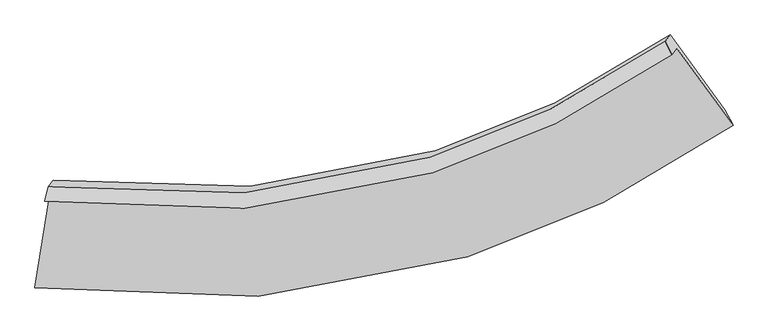
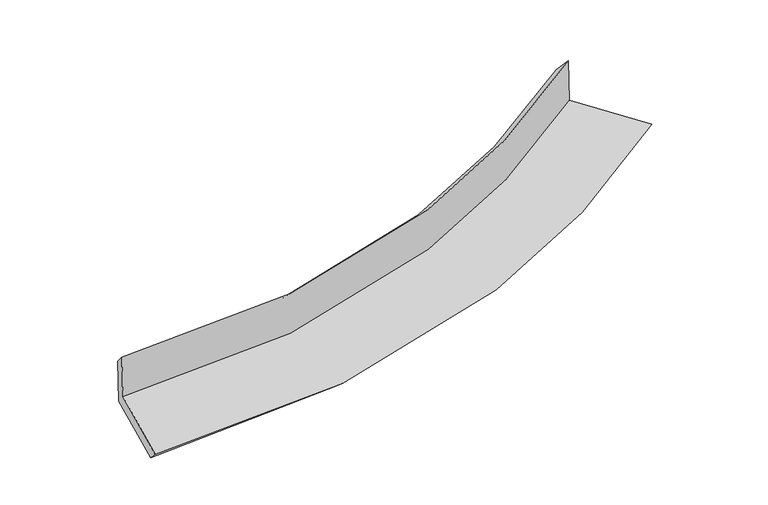
"""IFC4 building model written with IfcOpenShell, lengths in millimetres: proxy geometry."""

from ifc_helpers import new_model, si_unit, frame, origin, place, context, project, spatial, source, transform, mapped, element, save
from ifc_brep_helpers import plane_surface, spline_curve, spline_surface, advanced_brep


def generic_models_c4789eda(model_context):
    return source(origin(), model_context, "Body", "AdvancedBrep", [
        advanced_brep(
        [(-2465.156963, -1940.9548653, 2049.1564516), (-2429.6972514, -1894.9438889, 1651.3925082), (1991.8497933, -863.1528482, 2162.8632245), (1956.4604473, -909.0725211, 2559.8378511), (-2440.6679847, -1840.1932495, 1940.4949146), (1909.5933097, -815.8228758, 2441.0477501), (-2404.988035, -1793.8965018, 1540.260484), (1945.2903296, -769.5039785, 2040.6218371), (-2508.1863795, -2443.8212133, 1455.8811563), (2330.1995929, -1295.7898333, 2014.0579548), (-2534.1277305, -2552.6283638, 1566.0057352), (2388.2799872, -1405.1912541, 2135.5042441)],
        [
            (0, 1),
            (1, 2, spline_curve(3, [(-2429.6972514, -1894.9438889, 1651.3925082), (-1460.985469716, -2027.931604831, 1714.819464353), (-548.510161432, -1961.161990119, 1800.574861886), (895.612471026, -1511.640690294, 1982.867828222), (1456.986177588, -1234.479958172, 2067.602669662), (1991.8497933, -863.1528482, 2162.8632245)], [4, 2, 4], [0.0, 9.095950557043873, 15.341126245682508])),
            (2, 3),
            (3, 0, spline_curve(3, [(1956.4604473, -909.0725211, 2559.8378511), (1421.608600205, -1280.384360577, 2464.445284697), (860.237984368, -1557.541082486, 2379.675773694), (-583.898372772, -2007.080190802, 2197.536761185), (-1496.400227006, -2073.884250416, 2112.079138866), (-2465.156963, -1940.9548653, 2049.1564516)], [4, 2, 4], [0.0, 6.245175688638636, 15.341126245682508])),
            (4, 0),
            (3, 5),
            (5, 4, spline_curve(3, [(1909.5933097, -815.8228758, 2441.0477501), (1382.729469918, -1180.156003238, 2352.63510646), (830.036757107, -1452.759995736, 2272.563583017), (-591.087824127, -1897.074802477, 2096.35954549), (-1488.4822093, -1965.927601316, 2009.580123722), (-2440.6679847, -1840.1932495, 1940.4949146)], [4, 2, 4], [0.0, 6.194356984597455, 15.216291302166663])),
            (6, 4),
            (5, 7),
            (7, 6, spline_curve(3, [(1945.2903296, -769.5039785, 2040.6218371), (1418.54784986, -1133.679634358, 1950.847856188), (865.926149946, -1406.191483734, 1869.979755774), (-555.147666091, -1850.440419822, 1693.206266854), (-1452.618754253, -1919.39274488, 1607.287249263), (-2404.988035, -1793.8965018, 1540.260484)], [4, 2, 4], [0.0, 6.143582375698596, 15.091564677324131])),
            (8, 6),
            (7, 9),
            (9, 8, spline_curve(3, [(2330.1995929, -1295.7898333, 2014.0579548), (1747.672535051, -1702.416976469, 1914.400374641), (1135.012384572, -2006.928666183, 1824.478436869), (-443.994001074, -2504.110229403, 1627.502701418), (-1444.129174663, -2582.275666437, 1531.365706008), (-2508.1863795, -2443.8212133, 1455.8811563)], [4, 2, 4], [0.0, 6.491294623983567, 15.945711584322137])),
            (10, 8),
            (9, 11),
            (11, 10, spline_curve(3, [(2388.2799872, -1405.1912541, 2135.5042441), (1795.244049463, -1819.673793361, 2030.065800392), (1171.711688958, -2128.810220792, 1936.090903378), (-434.894534454, -2629.416306789, 1733.403725089), (-1452.164746559, -2702.758915826, 1637.545785561), (-2534.1277305, -2552.6283638, 1566.0057352)], [4, 2, 4], [0.0, 6.896697101026842, 16.941573172643444])),
            (1, 10),
            (11, 2),
        ],
        [
            spline_surface(3, 3, [[(-2465.156963, -1940.9548653, 2049.1564516), (-1496.400226913, -2073.884250409, 2112.079138801), (-583.898372683, -2007.0801908, 2197.536761057), (860.237984307, -1557.541082487, 2379.675773782), (1421.608600141, -1280.384360676, 2464.44528469), (1956.4604473, -909.0725211, 2559.8378511)], [(-2453.337059109, -1925.617873156, 1916.568470455), (-1484.59530782, -2058.566701885, 1979.659247353), (-572.102302237, -1991.774123897, 2065.216127977), (872.029479884, -1542.240951734, 2247.4064586), (1433.401125952, -1265.082893136, 2332.164413011), (1968.25689595, -893.765963455, 2427.51297557)], [(-2441.517155291, -1910.280881044, 1783.980489345), (-1472.790388799, -2043.249153393, 1847.239355941), (-560.306231833, -1976.468057044, 1932.895494918), (883.820975419, -1526.940821032, 2115.137143438), (1445.193651813, -1249.781425631, 2199.883541323), (1980.05334465, -878.459405845, 2295.18810003)], [(-2429.6972514, -1894.9438889, 1651.3925082), (-1460.985469706, -2027.93160487, 1714.819464492), (-548.510161388, -1961.161990141, 1800.574861838), (895.612470996, -1511.640690279, 1982.867828255), (1456.986177624, -1234.479958091, 2067.602669643), (1991.8497933, -863.1528482, 2162.8632245)]], [4, 4], [4, 2, 4], [0.0, 1.3160735513135497], [0.0, 9.095950557043873, 15.341126245682508]),
            spline_surface(3, 3, [[(-2440.6679847, -1840.1932495, 1940.4949146), (-1488.482209366, -1965.927601192, 2009.580123731), (-591.08782406, -1897.074802542, 2096.359545475), (830.036757061, -1452.759995692, 2272.563583027), (1382.729469891, -1180.156003143, 2352.635106465), (1909.5933097, -815.8228758, 2441.0477501)], [(-2448.830977468, -1873.780454761, 1976.71542694), (-1491.12154855, -2001.913150925, 2043.746462095), (-588.691340265, -1933.743265284, 2130.085284004), (840.103832812, -1487.687024613, 2308.267646613), (1395.689179991, -1213.565455675, 2389.905165889), (1925.215688917, -846.906090921, 2480.64445045)], [(-2456.993970232, -1907.367660039, 2012.93593926), (-1493.760887729, -2037.898700676, 2077.912800438), (-586.294856478, -1970.411728058, 2163.811022529), (850.170908556, -1522.614053565, 2343.971710196), (1408.648890041, -1246.974908145, 2427.175225265), (1940.838068083, -877.989305979, 2520.24115075)], [(-2465.156963, -1940.9548653, 2049.1564516), (-1496.400226913, -2073.884250409, 2112.079138801), (-583.898372683, -2007.0801908, 2197.536761057), (860.237984307, -1557.541082487, 2379.675773782), (1421.608600141, -1280.384360676, 2464.44528469), (1956.4604473, -909.0725211, 2559.8378511)]], [4, 4], [4, 2, 4], [0.0, 0.49274672733942865], [0.0, 9.021934317569208, 15.216291302166663]),
            spline_surface(3, 3, [[(-2404.988035, -1793.8965018, 1540.260484), (-1452.618754286, -1919.392744908, 1607.287249325), (-555.147665989, -1850.440419809, 1693.206266737), (865.926149877, -1406.191483743, 1869.979755854), (1418.547849781, -1133.679634409, 1950.847856163), (1945.2903296, -769.5039785, 2040.6218371)], [(-2416.88135158, -1809.328751049, 1673.671960857), (-1464.573239326, -1934.904363685, 1741.384874118), (-567.127718697, -1865.985214078, 1827.590692975), (853.96301892, -1421.714321084, 2004.174364903), (1406.608389804, -1149.17175732, 2084.776939591), (1933.391322953, -784.943610932, 2174.097141427)], [(-2428.77466812, -1824.761000251, 1807.083437743), (-1476.527724327, -1950.415982415, 1875.482498938), (-579.107771352, -1881.530008273, 1961.975119238), (841.999888017, -1437.23715835, 2138.368973977), (1394.668929868, -1164.663880233, 2218.706023037), (1921.492316347, -800.383243368, 2307.572445773)], [(-2440.6679847, -1840.1932495, 1940.4949146), (-1488.482209366, -1965.927601192, 2009.580123731), (-591.08782406, -1897.074802542, 2096.359545475), (830.036757061, -1452.759995692, 2272.563583027), (1382.729469891, -1180.156003143, 2352.635106465), (1909.5933097, -815.8228758, 2441.0477501)]], [4, 4], [4, 2, 4], [0.0, 1.3358260521376146], [0.0, 8.947982301625535, 15.091564677324131]),
            spline_surface(3, 3, [[(-2508.1863795, -2443.8212133, 1455.8811563), (-1444.129174622, -2582.275666449, 1531.365706064), (-443.99400097, -2504.110229495, 1627.502701297), (1135.012384501, -2006.928666119, 1824.478436952), (1747.672535022, -1702.416976412, 1914.400374568), (2330.1995929, -1295.7898333, 2014.0579548)], [(-2473.786931335, -2227.179642788, 1484.007598862), (-1446.959034512, -2361.31469259, 1556.672887147), (-481.045222651, -2286.220292927, 1649.403889783), (1045.316972952, -1806.682938654, 1839.645543258), (1637.964306625, -1512.837862401, 1926.549535092), (2201.896505151, -1120.361215023, 2022.912582226)], [(-2439.387483165, -2010.538072312, 1512.134041438), (-1449.788894396, -2140.353718767, 1581.980068242), (-518.096444308, -2068.330356377, 1671.305078251), (955.621561426, -1606.437211208, 1854.812649547), (1528.256078177, -1323.25874842, 1938.698695639), (2073.593417349, -944.932596777, 2031.767209674)], [(-2404.988035, -1793.8965018, 1540.260484), (-1452.618754286, -1919.392744908, 1607.287249325), (-555.147665989, -1850.440419809, 1693.206266737), (865.926149877, -1406.191483743, 1869.979755854), (1418.547849781, -1133.679634409, 1950.847856163), (1945.2903296, -769.5039785, 2040.6218371)]], [4, 4], [4, 2, 4], [0.0, 2.158591727218058], [0.0, 9.45441696033857, 15.945711584322137]),
            spline_surface(3, 3, [[(-2534.1277305, -2552.6283638, 1566.0057352), (-1452.164746652, -2702.758915912, 1637.545785699), (-434.894534482, -2629.416306732, 1733.403725029), (1171.711688977, -2128.810220832, 1936.090903419), (1795.244049426, -1819.673793414, 2030.065800368), (2388.2799872, -1405.1912541, 2135.5042441)], [(-2525.480613506, -2516.35931365, 1529.297542257), (-1449.486222648, -2662.597832774, 1602.152425845), (-437.927689975, -2587.647614323, 1698.103383774), (1159.478587488, -2088.183035931, 1898.886747919), (1779.386877958, -1780.588187745, 1991.51065844), (2368.919855767, -1368.724113832, 2095.022147672)], [(-2516.833496494, -2480.09026345, 1492.589349243), (-1446.807698626, -2622.436749587, 1566.759065919), (-440.960845477, -2545.878921904, 1662.803042552), (1147.24548599, -2047.55585102, 1861.682592452), (1763.52970649, -1741.502582081, 1952.955516496), (2349.559724333, -1332.256973568, 2054.540051228)], [(-2508.1863795, -2443.8212133, 1455.8811563), (-1444.129174622, -2582.275666449, 1531.365706064), (-443.99400097, -2504.110229495, 1627.502701297), (1135.012384501, -2006.928666119, 1824.478436952), (1747.672535022, -1702.416976412, 1914.400374568), (2330.1995929, -1295.7898333, 2014.0579548)]], [4, 4], [4, 2, 4], [0.0, 0.5418679069162001], [0.0, 10.044876071616603, 16.941573172643444]),
            spline_surface(3, 3, [[(-2429.6972514, -1894.9438889, 1651.3925082), (-1460.985469706, -2027.93160487, 1714.819464492), (-548.510161388, -1961.161990141, 1800.574861838), (895.612470996, -1511.640690279, 1982.867828255), (1456.986177624, -1234.479958091, 2067.602669643), (1991.8497933, -863.1528482, 2162.8632245)], [(-2464.507411102, -2114.172047197, 1622.930250528), (-1458.04522869, -2252.87404188, 1689.061571556), (-510.638285746, -2183.91342901, 1778.184482921), (987.645543662, -1717.363867135, 1967.275519996), (1569.738801555, -1429.544569869, 2055.090379874), (2123.993191263, -1043.832316837, 2153.743564356)], [(-2499.317570798, -2333.400205503, 1594.467992872), (-1455.104987668, -2477.816478901, 1663.303678636), (-472.766410124, -2406.664867863, 1755.794103946), (1079.678616311, -1923.087043975, 1951.683211678), (1682.491425496, -1624.609181636, 2042.578090137), (2256.136589237, -1224.511785463, 2144.623904244)], [(-2534.1277305, -2552.6283638, 1566.0057352), (-1452.164746652, -2702.758915912, 1637.545785699), (-434.894534482, -2629.416306732, 1733.403725029), (1171.711688977, -2128.810220832, 1936.090903419), (1795.244049426, -1819.673793414, 2030.065800368), (2388.2799872, -1405.1912541, 2135.5042441)]], [4, 4], [4, 2, 4], [0.0, 2.2098325624089035], [0.0, 9.613785906523455, 16.214501427421098]),
            plane_surface(frame((2086.9455767, -1009.7555518, 2225.655477), z_axis=(0.8026854871520941, 0.5800609077404527, 0.13865551567365575), x_axis=(-0.589842918172592, 0.8064913319750222, 0.040707042766521984))),
            plane_surface(frame((-2463.8040573, -2077.7396804, 1700.531875), z_axis=(-0.9838820038797019, 0.16513325708205412, -0.06860910906821754), x_axis=(-0.0882119073427299, -0.11445992643928346, 0.9895037062297805))),
        ],
        [
            (0, [[1, 2, 3, 4]]),
            (1, [[5, -4, 6, 7]]),
            (2, [[8, -7, 9, 10]]),
            (3, [[11, -10, 12, 13]]),
            (4, [[14, -13, 15, 16]]),
            (5, [[17, -16, 18, -2]]),
            (6, [[-12, -9, -6, -3, -18, -15]]),
            (7, [[-1, -5, -8, -11, -14, -17]]),
        ],
    ),
    ])


if __name__ == "__main__":
    model = new_model("IFC4")
    model_context = context("Model", 3, world=origin())
    ifc_project = project(units=[si_unit("LENGTHUNIT", "METRE", prefix="MILLI")], contexts=[model_context])
    site = spatial("IfcSite", under=ifc_project)
    building = spatial("IfcBuilding", under=site)
    placement = place(None, origin())
    generic_models_shape = generic_models_c4789eda(model_context)
    element("IfcBuildingElementProxy", 1, Name="Generic Models", at=placement, inside=building, context=model_context, shape_type="MappedRepresentation", body=[
        mapped(generic_models_shape, transform((0.0, 0.0, 0.0), x_axis=(1.0, 0.0, 0.0), y_axis=(0.0, 1.0, 0.0), z_axis=(0.0, 0.0, 1.0))),
    ])
    save(model, "model.ifc")
